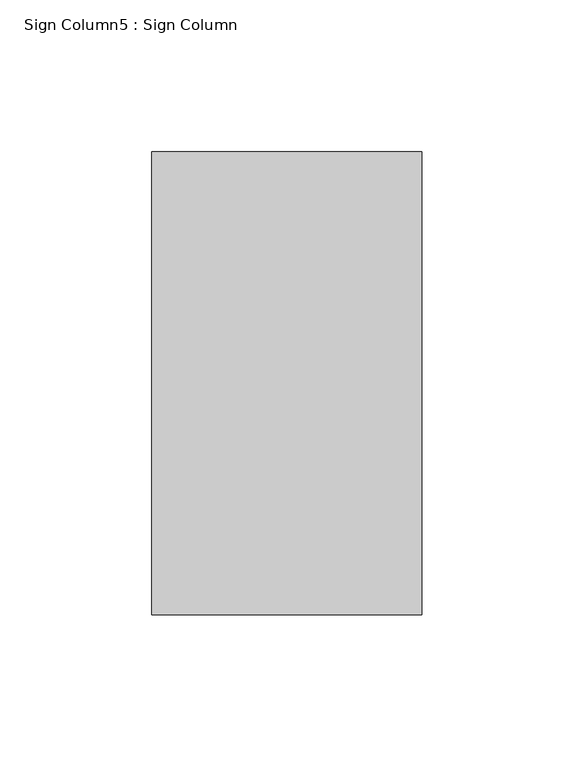
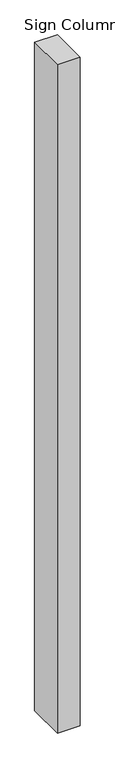
"""IFC4 building model written with IfcOpenShell, lengths in millimetres: proxy geometry, Sign Column5 : Sign Column."""

from ifc_helpers import new_model, si_unit, frame, origin, place, context, project, spatial, polyline, outline, extrude, source, transform, mapped, element, save


def sign_column5_sign_column_2ee7418f(model_context):
    return source(origin(), model_context, "Body", "SweptSolid", [
        extrude(outline(polyline([(227895.9228488, 156293.3096581), (227895.9228488, 156140.9096581), (227807.0228488, 156140.9096581), (227807.0228488, 156293.3096581), (227895.9228488, 156293.3096581)])), frame((0.0, 0.0, 137.4092564), z_axis=(0.0, 0.0, 1.0), x_axis=(1.0, 0.0, 0.0)), (0.0, 0.0, 1.0), 2749.55),
    ])


if __name__ == "__main__":
    model = new_model("IFC4")
    model_context = context("Model", 3, world=origin())
    ifc_project = project(units=[si_unit("LENGTHUNIT", "METRE", prefix="MILLI")], contexts=[model_context])
    site = spatial("IfcSite", under=ifc_project)
    building = spatial("IfcBuilding", under=site)
    placement = place(None, origin())
    sign_column5_sign_column_shape = sign_column5_sign_column_2ee7418f(model_context)
    element("IfcBuildingElementProxy", 1, Name="Sign Column5 : Sign Column", ObjectType="Sign Column5 : Sign Column", at=placement, inside=building, context=model_context, shape_type="MappedRepresentation", body=[
        mapped(sign_column5_sign_column_shape, transform((0.0, 0.0, 0.0), x_axis=(1.0, 0.0, 0.0), y_axis=(0.0, 1.0, 0.0), z_axis=(0.0, 0.0, 1.0))),
    ])
    save(model, "model.ifc")
